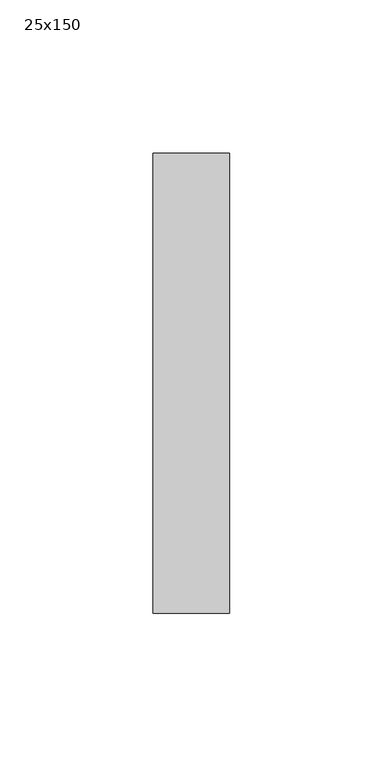
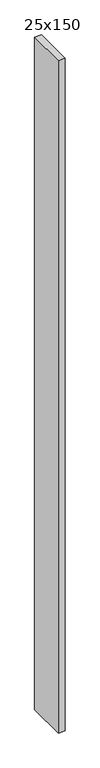
"""IFC4 building model written with IfcOpenShell, lengths in millimetres: member geometry, 25x150."""

from ifc_helpers import new_model, si_unit, frame, origin, place, context, project, spatial, polyline, outline, extrude, source, transform, mapped, element, save


def member_25x150_5b56dd58(model_context):
    return source(origin(), model_context, "Body", "SweptSolid", [
        extrude(outline(polyline([(0.0, 75.0), (0.0, -75.0), (-25.0, -75.0), (-25.0, 75.0), (0.0, 75.0)])), frame((0.0, 0.0, -2595.0), z_axis=(0.0, 0.0, 1.0), x_axis=(1.0, 0.0, 0.0)), (0.0, 0.0, 1.0), 2595.0),
    ])


if __name__ == "__main__":
    model = new_model("IFC4")
    model_context = context("Model", 3, world=origin())
    ifc_project = project(units=[si_unit("LENGTHUNIT", "METRE", prefix="MILLI")], contexts=[model_context])
    site = spatial("IfcSite", under=ifc_project)
    building = spatial("IfcBuilding", under=site)
    placement = place(None, origin())
    member_25x150_shape = member_25x150_5b56dd58(model_context)
    element("IfcMember", 1, ObjectType="25x150", at=placement, inside=building, context=model_context, shape_type="MappedRepresentation", body=[
        mapped(member_25x150_shape, transform((0.0, 0.0, 0.0), x_axis=(1.0, 0.0, 0.0), y_axis=(0.0, 1.0, 0.0), z_axis=(0.0, 0.0, 1.0))),
    ])
    save(model, "model.ifc")
